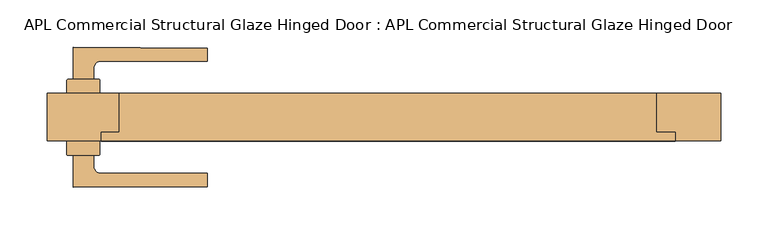
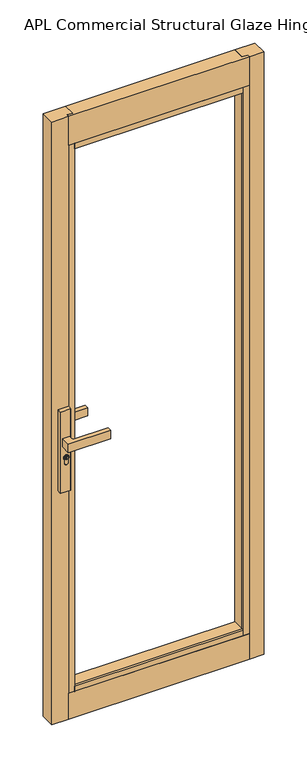
"""IFC4 building model written with IfcOpenShell, lengths in millimetres: door geometry, APL Commercial Structural Glaze Hinged Door : APL Commercial Structural Glaze Hinged Door."""

from ifc_helpers import new_model, si_unit, point, frame, frame_2d, origin, origin_with_axes, place, context, project, spatial, polyline, circle_curve, trimmed, segment, composite_curve, outline, extrude, faceted_brep, source, transform, mapped, element, save


def apl_commercial_structural_glaze_hinged_door_apl_commercial_ea0e2a5c(model_context):
    return source(origin(), model_context, "Body", "SolidModel", [
        extrude(outline(composite_curve([segment(trimmed(circle_curve(frame_2d((945.687184, -321.6515401)), 5.9005564), [point((945.687184, -315.7509837))], [point((945.687184, -327.5520965))], False, "CARTESIAN"), True, "CONTINUOUS"), segment(trimmed(circle_curve(frame_2d((945.687184, -321.6515401)), 5.9005564), [point((945.687184, -327.5520965))], [point((945.687184, -315.7509837))], False, "CARTESIAN"), True, "CONTINUOUS")], self_intersect=False), holes=[polyline([(949.7292167, -322.7156114), (949.7292167, -320.667672), (948.9292167, -320.667672), (948.3483344, -321.7156114), (947.1634303, -321.7156114), (946.3431864, -320.8953676), (944.6002002, -320.8953676), (944.0258593, -321.7156114), (941.7685105, -321.7156114), (941.7685105, -322.7156114), (944.5464263, -322.7156114), (945.1207673, -321.8953676), (945.9289729, -321.8953676), (946.7492167, -322.7156114), (949.7292167, -322.7156114)])]), frame((0.0, 51.3500753, 0.0), z_axis=(0.0, 1.0, 0.0), x_axis=(0.0, 0.0, 1.0)), (0.0, 0.0, 1.0), 4.423715),
        extrude(outline(composite_curve([segment(trimmed(circle_curve(frame_2d((-338.3000588, 50.1000748)), 1.0), [point((-339.3000588, 50.1000748))], [point((-338.3000588, 51.1000748))], False, "CARTESIAN"), True, "CONTINUOUS"), segment(polyline([(-338.3000588, 51.1000748), (-305.300059, 51.1000748)]), True, "CONTINUOUS"), segment(trimmed(circle_curve(frame_2d((-305.300059, 50.1000748)), 1.0), [point((-305.300059, 51.1000748))], [point((-304.300059, 50.1000748))], False, "CARTESIAN"), True, "CONTINUOUS"), segment(polyline([(-304.300059, 50.1000748), (-304.300059, 36.1000751), (-339.3000588, 36.1000751), (-339.3000588, 50.1000748)]), True, "CONTINUOUS")], self_intersect=False)), frame((0.0, 0.0, 822.4734334), z_axis=(0.0, 0.0, 1.0), x_axis=(1.0, 0.0, 0.0)), (0.0, 0.0, 1.0), 287.6450734),
        extrude(outline(composite_curve([segment(polyline([(-339.3000588, -27.8999345), (-339.3000588, -13.8999349), (-304.300059, -13.8999349), (-304.300059, -27.8999345)]), True, "CONTINUOUS"), segment(trimmed(circle_curve(frame_2d((-305.300059, -27.8999345)), 1.0), [point((-304.300059, -27.8999345))], [point((-305.300059, -28.8999345))], False, "CARTESIAN"), True, "CONTINUOUS"), segment(polyline([(-305.300059, -28.8999345), (-338.3000588, -28.8999345)]), True, "CONTINUOUS"), segment(trimmed(circle_curve(frame_2d((-338.3000588, -27.8999345)), 1.0), [point((-338.3000588, -28.8999345))], [point((-339.3000588, -27.8999345))], False, "CARTESIAN"), True, "CONTINUOUS")], self_intersect=False)), frame((0.0, 0.0, 822.4734334), z_axis=(0.0, 0.0, 1.0), x_axis=(1.0, 0.0, 0.0)), (0.0, 0.0, 1.0), 287.6450734),
        extrude(outline(composite_curve([segment(trimmed(circle_curve(frame_2d((945.687184, -321.6515401)), 8.4005564), [point((939.648662, -315.8115401))], [point((939.2521745, -327.0515401))], False, "CARTESIAN"), True, "CONTINUOUS"), segment(polyline([(939.2521745, -327.0515401), (926.2077404, -327.0515401)]), True, "CONTINUOUS"), segment(trimmed(circle_curve(frame_2d((926.2077404, -321.4315401)), 5.62), [point((926.2077404, -327.0515401))], [point((926.2077404, -315.8115401))], False, "CARTESIAN"), True, "CONTINUOUS"), segment(polyline([(926.2077404, -315.8115401), (939.648662, -315.8115401)]), True, "CONTINUOUS")], self_intersect=False), holes=[composite_curve([segment(trimmed(circle_curve(frame_2d((945.687184, -321.6515401)), 6.4005564), [point((945.687184, -315.2509837))], [point((945.687184, -328.0520965))], True, "CARTESIAN"), True, "CONTINUOUS"), segment(trimmed(circle_curve(frame_2d((945.687184, -321.6515401)), 6.4005564), [point((945.687184, -328.0520965))], [point((945.687184, -315.2509837))], True, "CARTESIAN"), True, "CONTINUOUS")], self_intersect=False)]), frame((0.0, 51.3500753, 0.0), z_axis=(0.0, 1.0, 0.0), x_axis=(0.0, 0.0, 1.0)), (0.0, 0.0, 1.0), 3.0593403),
        extrude(outline(composite_curve([segment(trimmed(circle_curve(frame_2d((945.687184, -321.6515401)), 6.4005564), [point((945.687184, -328.0520965))], [point((945.687184, -315.2509837))], False, "CARTESIAN"), True, "CONTINUOUS"), segment(trimmed(circle_curve(frame_2d((945.687184, -321.6515401)), 6.4005564), [point((945.687184, -315.2509837))], [point((945.687184, -328.0520965))], False, "CARTESIAN"), True, "CONTINUOUS")], self_intersect=False), holes=[composite_curve([segment(trimmed(circle_curve(frame_2d((945.687184, -321.6515401)), 5.9005564), [point((945.687184, -327.5520965))], [point((945.687184, -315.7509837))], True, "CARTESIAN"), True, "CONTINUOUS"), segment(trimmed(circle_curve(frame_2d((945.687184, -321.6515401)), 5.9005564), [point((945.687184, -315.7509837))], [point((945.687184, -327.5520965))], True, "CARTESIAN"), True, "CONTINUOUS")], self_intersect=False)]), frame((0.0, 51.3500753, 0.0), z_axis=(0.0, 1.0, 0.0), x_axis=(0.0, 0.0, 1.0)), (0.0, 0.0, 1.0), 3.0593403),
        extrude(outline(composite_curve([segment(polyline([(939.1595834, -327.2515401), (926.2077404, -327.2515401)]), True, "CONTINUOUS"), segment(trimmed(circle_curve(frame_2d((926.2077404, -321.4315401)), 5.82), [point((926.2077404, -327.2515401))], [point((926.2077404, -315.6115401))], False, "CARTESIAN"), True, "CONTINUOUS"), segment(polyline([(926.2077404, -315.6115401), (939.564442, -315.6115401)]), True, "CONTINUOUS"), segment(trimmed(circle_curve(frame_2d((945.687184, -321.6515401)), 8.6005564), [point((939.564442, -315.6115401))], [point((939.1595834, -327.2515401))], False, "CARTESIAN"), True, "CONTINUOUS")], self_intersect=False), holes=[composite_curve([segment(polyline([(926.2077404, -327.0515401), (939.2521745, -327.0515401)]), True, "CONTINUOUS"), segment(trimmed(circle_curve(frame_2d((945.687184, -321.6515401)), 8.4005564), [point((939.2521745, -327.0515401))], [point((939.648662, -315.8115401))], True, "CARTESIAN"), True, "CONTINUOUS"), segment(polyline([(939.648662, -315.8115401), (926.2077404, -315.8115401)]), True, "CONTINUOUS"), segment(trimmed(circle_curve(frame_2d((926.2077404, -321.4315401)), 5.62), [point((926.2077404, -315.8115401))], [point((926.2077404, -327.0515401))], True, "CARTESIAN"), True, "CONTINUOUS")], self_intersect=False)]), frame((0.0, 51.3500753, 0.0), z_axis=(0.0, 1.0, 0.0), x_axis=(0.0, 0.0, 1.0)), (0.0, 0.0, 1.0), 3.0593403),
        extrude(outline(composite_curve([segment(trimmed(circle_curve(frame_2d((-265.8000586, -851.6499249)), 939.0), [point((-332.8000589, 84.9567161))], [point((-190.8000536, 84.3500747))], False, "CARTESIAN"), True, "CONTINUOUS"), segment(polyline([(-190.8000536, 84.3500747), (-190.8000536, 70.3500738), (-303.2955242, 70.3500738)]), True, "CONTINUOUS"), segment(trimmed(circle_curve(frame_2d((-303.3000589, 62.8500751)), 7.5), [point((-303.2955242, 70.3500738))], [point((-310.8000589, 62.8500751))], True, "CARTESIAN"), True, "CONTINUOUS"), segment(polyline([(-310.8000589, 62.8500751), (-310.8000589, 51.3500753), (-332.8000589, 51.3500753), (-332.8000589, 84.9567161)]), True, "CONTINUOUS")], self_intersect=False)), frame((0.0, 0.0, 985.1796291), z_axis=(0.0, 0.0, 1.0), x_axis=(1.0, 0.0, 0.0)), (0.0, 0.0, 1.0), 29.6407418),
        extrude(outline(composite_curve([segment(trimmed(circle_curve(frame_2d((945.687184, -321.6515401)), 5.9005564), [point((945.687184, -315.7509837))], [point((945.687184, -327.5520965))], False, "CARTESIAN"), True, "CONTINUOUS"), segment(trimmed(circle_curve(frame_2d((945.687184, -321.6515401)), 5.9005564), [point((945.687184, -327.5520965))], [point((945.687184, -315.7509837))], False, "CARTESIAN"), True, "CONTINUOUS")], self_intersect=False), holes=[polyline([(949.7292167, -322.7156114), (949.7292167, -320.667672), (948.9292167, -320.667672), (948.3483344, -321.7156114), (947.1634303, -321.7156114), (946.3431864, -320.8953676), (944.6002002, -320.8953676), (944.0258593, -321.7156114), (941.7685105, -321.7156114), (941.7685105, -322.7156114), (944.5464263, -322.7156114), (945.1207673, -321.8953676), (945.9289729, -321.8953676), (946.7492167, -322.7156114), (949.7292167, -322.7156114)])]), frame((0.0, -33.57365, 0.0), z_axis=(0.0, 1.0, 0.0), x_axis=(0.0, 0.0, 1.0)), (0.0, 0.0, 1.0), 4.423715),
        extrude(outline(composite_curve([segment(trimmed(circle_curve(frame_2d((945.687184, -321.6515401)), 8.4005564), [point((939.648662, -315.8115401))], [point((939.2521745, -327.0515401))], False, "CARTESIAN"), True, "CONTINUOUS"), segment(polyline([(939.2521745, -327.0515401), (926.2077404, -327.0515401)]), True, "CONTINUOUS"), segment(trimmed(circle_curve(frame_2d((926.2077404, -321.4315401)), 5.62), [point((926.2077404, -327.0515401))], [point((926.2077404, -315.8115401))], False, "CARTESIAN"), True, "CONTINUOUS"), segment(polyline([(926.2077404, -315.8115401), (939.648662, -315.8115401)]), True, "CONTINUOUS")], self_intersect=False), holes=[composite_curve([segment(trimmed(circle_curve(frame_2d((945.687184, -321.6515401)), 6.4005564), [point((945.687184, -315.2509837))], [point((945.687184, -328.0520965))], True, "CARTESIAN"), True, "CONTINUOUS"), segment(trimmed(circle_curve(frame_2d((945.687184, -321.6515401)), 6.4005564), [point((945.687184, -328.0520965))], [point((945.687184, -315.2509837))], True, "CARTESIAN"), True, "CONTINUOUS")], self_intersect=False)]), frame((0.0, -32.2092753, 0.0), z_axis=(0.0, 1.0, 0.0), x_axis=(0.0, 0.0, 1.0)), (0.0, 0.0, 1.0), 3.0593403),
        extrude(outline(composite_curve([segment(trimmed(circle_curve(frame_2d((945.687184, -321.6515401)), 6.4005564), [point((945.687184, -328.0520965))], [point((945.687184, -315.2509837))], False, "CARTESIAN"), True, "CONTINUOUS"), segment(trimmed(circle_curve(frame_2d((945.687184, -321.6515401)), 6.4005564), [point((945.687184, -315.2509837))], [point((945.687184, -328.0520965))], False, "CARTESIAN"), True, "CONTINUOUS")], self_intersect=False), holes=[composite_curve([segment(trimmed(circle_curve(frame_2d((945.687184, -321.6515401)), 5.9005564), [point((945.687184, -327.5520965))], [point((945.687184, -315.7509837))], True, "CARTESIAN"), True, "CONTINUOUS"), segment(trimmed(circle_curve(frame_2d((945.687184, -321.6515401)), 5.9005564), [point((945.687184, -315.7509837))], [point((945.687184, -327.5520965))], True, "CARTESIAN"), True, "CONTINUOUS")], self_intersect=False)]), frame((0.0, -32.2092753, 0.0), z_axis=(0.0, 1.0, 0.0), x_axis=(0.0, 0.0, 1.0)), (0.0, 0.0, 1.0), 3.0593403),
        extrude(outline(composite_curve([segment(polyline([(939.1595834, -327.2515401), (926.2077404, -327.2515401)]), True, "CONTINUOUS"), segment(trimmed(circle_curve(frame_2d((926.2077404, -321.4315401)), 5.82), [point((926.2077404, -327.2515401))], [point((926.2077404, -315.6115401))], False, "CARTESIAN"), True, "CONTINUOUS"), segment(polyline([(926.2077404, -315.6115401), (939.564442, -315.6115401)]), True, "CONTINUOUS"), segment(trimmed(circle_curve(frame_2d((945.687184, -321.6515401)), 8.6005564), [point((939.564442, -315.6115401))], [point((939.1595834, -327.2515401))], False, "CARTESIAN"), True, "CONTINUOUS")], self_intersect=False), holes=[composite_curve([segment(polyline([(926.2077404, -327.0515401), (939.2521745, -327.0515401)]), True, "CONTINUOUS"), segment(trimmed(circle_curve(frame_2d((945.687184, -321.6515401)), 8.4005564), [point((939.2521745, -327.0515401))], [point((939.648662, -315.8115401))], True, "CARTESIAN"), True, "CONTINUOUS"), segment(polyline([(939.648662, -315.8115401), (926.2077404, -315.8115401)]), True, "CONTINUOUS"), segment(trimmed(circle_curve(frame_2d((926.2077404, -321.4315401)), 5.62), [point((926.2077404, -315.8115401))], [point((926.2077404, -327.0515401))], True, "CARTESIAN"), True, "CONTINUOUS")], self_intersect=False)]), frame((0.0, -32.2092753, 0.0), z_axis=(0.0, 1.0, 0.0), x_axis=(0.0, 0.0, 1.0)), (0.0, 0.0, 1.0), 3.0593403),
        extrude(outline(composite_curve([segment(polyline([(-332.8000589, -62.7565759), (-332.8000589, -29.149935), (-310.8000589, -29.149935), (-310.8000589, -40.6499349)]), True, "CONTINUOUS"), segment(trimmed(circle_curve(frame_2d((-303.3000589, -40.6499349)), 7.5), [point((-310.8000589, -40.6499349))], [point((-303.2955242, -48.1499335))], True, "CARTESIAN"), True, "CONTINUOUS"), segment(polyline([(-303.2955242, -48.1499335), (-190.8000536, -48.1499335), (-190.8000536, -62.1499345)]), True, "CONTINUOUS"), segment(trimmed(circle_curve(frame_2d((-265.8000586, 873.8500651)), 939.0), [point((-190.8000536, -62.1499345))], [point((-332.8000589, -62.7565759))], False, "CARTESIAN"), True, "CONTINUOUS")], self_intersect=False)), frame((0.0, 0.0, 985.1796291), z_axis=(0.0, 0.0, 1.0), x_axis=(1.0, 0.0, 0.0)), (0.0, 0.0, 1.0), 29.6407418),
        faceted_brep([(-303.000024, -4.8994771, 2036.0008801), (-303.000024, -13.8999674, 2036.0008801), (-303.000024, -13.8999674, 2138.0480909), (-303.000024, -4.8994771, 2138.0480909), (304.0000844, -4.8994771, 2036.0008801), (304.0000844, -4.8994771, 2138.0480909), (304.0000844, -13.8999674, 2138.0480909), (304.0000844, -13.8999674, 2036.0008801), (-284.000022, -4.8994771, 2138.0480909), (-284.000022, -4.8994771, 2036.0008801), (283.966122, -4.8994771, 2036.0008801), (283.966122, -4.8994771, 2138.0480909), (283.966122, 36.1000651, 2138.0480909), (-284.000022, 36.1000651, 2138.0480909), (-284.000022, 36.1000651, 2016.9980265), (-284.000022, -4.8994771, 2016.9980265), (283.966122, 36.1000651, 2016.9980265), (283.966122, -4.8994771, 2016.9980265)], [[[0, 1, 2, 3]], [[4, 5, 6, 7]], [[3, 8, 9, 0]], [[4, 10, 11, 5]], [[0, 9, 10, 4, 7, 1]], [[1, 7, 6, 2]], [[2, 6, 5, 11, 12, 13, 8, 3]], [[14, 15, 9, 8, 13]], [[16, 12, 11, 10, 17]], [[13, 12, 16, 14]], [[14, 16, 17, 15]], [[17, 10, 9, 15]]]),
        faceted_brep([(-303.000024, -13.8999349, 90.9821405), (-303.000024, -4.8994771, 90.9821405), (-303.000024, -4.8994771, 0.0), (-303.000024, -13.8999349, 0.0), (304.0000844, -13.8999349, 90.9821405), (304.0000844, -13.8999349, 0.0), (304.0000844, -4.8994771, 0.0), (304.0000844, -4.8994771, 90.9821405), (283.966122, -4.8994771, 90.9821405), (-284.000022, -4.8994771, 90.9821405), (-284.000022, -4.8994771, 0.0), (-284.000022, 36.1000651, 0.0), (283.966122, 36.1000651, 0.0), (283.966122, -4.8994771, 0.0), (-284.000022, 36.1000651, 109.9821405), (-284.000022, -4.8994771, 109.9821405), (283.966122, 36.1000651, 109.9821405), (283.966122, -4.8994771, 109.9821405)], [[[0, 1, 2, 3]], [[4, 5, 6, 7]], [[0, 4, 7, 8, 9, 1]], [[3, 5, 4, 0]], [[2, 10, 11, 12, 13, 6, 5, 3]], [[1, 9, 10, 2]], [[6, 13, 8, 7]], [[14, 11, 10, 9, 15]], [[16, 17, 8, 13, 12]], [[14, 16, 12, 11]], [[15, 17, 16, 14]], [[15, 9, 8, 17]]]),
        extrude(outline(polyline([(283.966122, -4.8994771), (304.0000844, -4.8994771), (304.0000844, -13.8999674), (283.966122, -13.8999674), (283.966122, -4.8994771)])), frame((0.0, 0.0, 90.9821405), z_axis=(0.0, 0.0, 1.0), x_axis=(1.0, 0.0, 0.0)), (0.0, 0.0, 1.0), 1945.0187396),
        extrude(outline(polyline([(-284.000022, 36.1000651), (-284.000022, -4.8994771), (-303.000024, -4.8994771), (-303.000024, -13.8999349), (-360.0000539, -13.8999349), (-360.0000539, 36.1000651), (-284.000022, 36.1000651)])), origin_with_axes(), (0.0, 0.0, 1.0), 2138.0480909),
        extrude(outline(polyline([(-284.000022, -4.8994771), (283.966122, -4.8994771), (283.966122, -13.8999674), (-284.000022, -13.8999674), (-284.000022, -4.8994771)])), frame((0.0, 0.0, 2016.9980265), z_axis=(0.0, 0.0, 1.0), x_axis=(1.0, 0.0, 0.0)), (0.0, 0.0, 1.0), 19.0028536),
        extrude(outline(polyline([(-284.000022, -4.8994771), (283.966122, -4.8994771), (283.966122, -13.8999674), (-284.000022, -13.8999674), (-284.000022, -4.8994771)])), frame((0.0, 0.0, 2016.9980265), z_axis=(0.0, 0.0, 1.0), x_axis=(1.0, 0.0, 0.0)), (0.0, 0.0, 1.0), 19.0028536),
        extrude(outline(polyline([(-284.000022, -4.8994771), (283.966122, -4.8994771), (283.966122, -13.8999349), (-284.000022, -13.8999349), (-284.000022, -4.8994771)])), frame((0.0, 0.0, 90.9821405), z_axis=(0.0, 0.0, 1.0), x_axis=(1.0, 0.0, 0.0)), (0.0, 0.0, 1.0), 19.0),
        extrude(outline(polyline([(283.966122, -4.8994771), (304.0000844, -4.8994771), (304.0000844, -13.8999674), (283.966122, -13.8999674), (283.966122, -4.8994771)])), frame((0.0, 0.0, 90.9821405), z_axis=(0.0, 0.0, 1.0), x_axis=(1.0, 0.0, 0.0)), (0.0, 0.0, 1.0), 1945.0187396),
        extrude(outline(polyline([(-284.000022, -4.8994771), (-284.000022, -13.8999349), (-303.000024, -13.8999349), (-303.000024, -4.8994771), (-284.000022, -4.8994771)])), frame((0.0, 0.0, 90.9821405), z_axis=(0.0, 0.0, 1.0), x_axis=(1.0, 0.0, 0.0)), (0.0, 0.0, 1.0), 1945.0187396),
        extrude(outline(polyline([(283.966122, 36.1000651), (352.0000241, 36.1000651), (352.0000241, -13.8999674), (304.0000844, -13.8999674), (304.0000844, -4.8994771), (283.966122, -4.8994771), (283.966122, 36.1000651)])), origin_with_axes(), (0.0, 0.0, 1.0), 2138.0480909),
    ])


if __name__ == "__main__":
    model = new_model("IFC4")
    model_context = context("Model", 3, world=origin())
    ifc_project = project(units=[si_unit("LENGTHUNIT", "METRE", prefix="MILLI")], contexts=[model_context])
    site = spatial("IfcSite", under=ifc_project)
    building = spatial("IfcBuilding", under=site)
    placement = place(None, origin())
    apl_commercial_structural_glaze_hinged_door_apl_commercial_shape = apl_commercial_structural_glaze_hinged_door_apl_commercial_ea0e2a5c(model_context)
    element("IfcDoor", 1, ObjectType="APL Commercial Structural Glaze Hinged Door : APL Commercial Structural Glaze Hinged Door", at=placement, inside=building, context=model_context, shape_type="MappedRepresentation", body=[
        mapped(apl_commercial_structural_glaze_hinged_door_apl_commercial_shape, transform((0.0, 0.0, 0.0), x_axis=(1.0, 0.0, 0.0), y_axis=(0.0, 1.0, 0.0), z_axis=(0.0, 0.0, 1.0))),
    ])
    save(model, "model.ifc")
